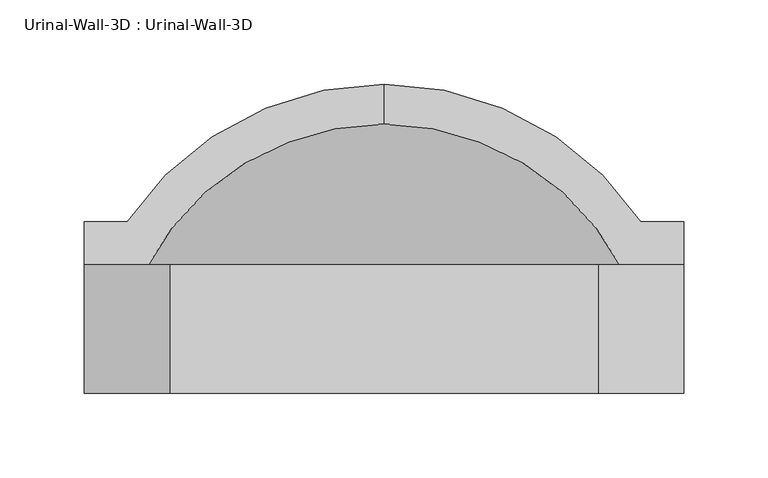
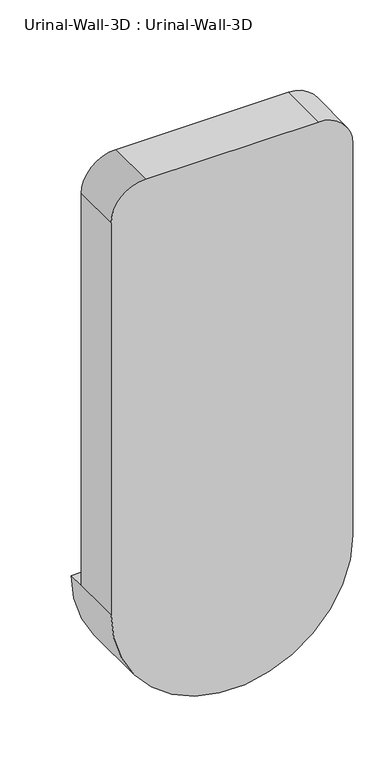
"""IFC4 building model written with IfcOpenShell, lengths in millimetres: flow terminal geometry, Urinal-Wall-3D : Urinal-Wall-3D."""

from ifc_helpers import new_model, si_unit, point, frame, origin, place, context, project, spatial, polyline, circle_curve, ellipse_curve, trimmed, source, transform, mapped, element, save
from ifc_brep_helpers import plane_surface, cylinder_surface, revolved_surface, advanced_brep


def urinal_wall_3d_urinal_wall_3d_747c77f1(model_context):
    return source(origin(), model_context, "Body", "AdvancedBrep", [
        advanced_brep(
        [(-109.0745999, 330.7995048, 609.6), (-109.0745999, 307.0822043, 609.6), (43.3254001, 194.5081063, 609.6), (43.3254001, 223.8375, 609.6), (68.7254001, 223.8375, 609.6), (68.7254001, 249.2375, 609.6), (43.3254001, 249.2375, 609.6), (-261.4745999, 249.2375, 609.6), (-286.8745999, 249.2375, 609.6), (-286.8745999, 223.8375, 609.6), (-261.4745999, 223.8375, 609.6), (-261.4745999, 194.5081063, 609.6), (-261.4745999, 160.3375, 609.6), (43.3254001, 160.3375, 609.6), (-286.8745999, 147.6375, 609.6), (68.7254001, 147.6375, 609.6), (68.7254001, 147.6375, 1219.2), (17.9254001, 147.6375, 1270.0), (-236.0745999, 147.6375, 1270.0), (-286.8745999, 147.6375, 1219.2), (-261.4745999, 160.3375, 1168.4), (-210.6745999, 160.3375, 1219.2), (-7.4745999, 160.3375, 1219.2), (43.3254001, 160.3375, 1168.4), (43.3254001, 223.8375, 1168.4), (-7.4745999, 223.8375, 1219.2), (-210.6745999, 223.8375, 1219.2), (-261.4745999, 223.8375, 1168.4), (-286.8745999, 223.8375, 1219.2), (-236.0745999, 223.8375, 1270.0), (17.9254001, 223.8375, 1270.0), (68.7254001, 223.8375, 1219.2)],
        [
            (0, 1),
            (1, 2, circle_curve(frame((-109.0745999, 147.6375, 609.6), z_axis=(0.0, 0.0, -1.0), x_axis=(1.0, 0.0, 0.0)), 159.4447043)),
            (2, 3),
            (3, 4),
            (4, 5),
            (5, 6),
            (6, 0, circle_curve(frame((-109.0745999, 147.6375, 609.6), z_axis=(0.0, 0.0, 1.0), x_axis=(1.0, 0.0, 0.0)), 183.1620048)),
            (0, 7, circle_curve(frame((-109.0745999, 147.6375, 609.6), z_axis=(0.0, 0.0, 1.0), x_axis=(-1.0, 0.0, 0.0)), 183.1620048)),
            (7, 8),
            (8, 9),
            (9, 10),
            (10, 11),
            (11, 1, circle_curve(frame((-109.0745999, 147.6375, 609.6), z_axis=(0.0, 0.0, -1.0), x_axis=(-1.0, 0.0, 0.0)), 159.4447043)),
            (11, 2, circle_curve(frame((-109.0745999, 194.5081063, 609.6), z_axis=(0.0, -1.0, 0.0), x_axis=(1.0, 0.0, 0.0)), 152.4)),
            (11, 12),
            (12, 13, circle_curve(frame((-109.0745999, 160.3375, 609.6), z_axis=(0.0, -1.0, 0.0), x_axis=(1.0, 0.0, 0.0)), 152.4)),
            (13, 2),
            (14, 15, circle_curve(frame((-109.0745999, 147.6375, 609.6), z_axis=(0.0, -1.0, 0.0), x_axis=(1.0, 0.0, 0.0)), 177.8)),
            (15, 16),
            (16, 17, circle_curve(frame((17.9254001, 147.6375, 1219.2), z_axis=(0.0, -1.0, 0.0), x_axis=(-1.0, 0.0, 0.0)), 50.8)),
            (17, 18),
            (18, 19, circle_curve(frame((-236.0745999, 147.6375, 1219.2), z_axis=(0.0, -1.0, 0.0), x_axis=(-1.0, 0.0, 0.0)), 50.8)),
            (19, 14),
            (14, 9),
            (8, 5, circle_curve(frame((-109.0745999, 249.2375, 609.6), z_axis=(0.0, -1.0, 0.0), x_axis=(1.0, 0.0, 0.0)), 177.8)),
            (4, 15),
            (7, 6, circle_curve(frame((-109.0745999, 249.2375, 609.6), z_axis=(0.0, -1.0, 0.0), x_axis=(1.0, 0.0, 0.0)), 152.4)),
            (12, 20),
            (20, 21, circle_curve(frame((-210.6745999, 160.3375, 1168.4), z_axis=(0.0, 1.0, 0.0), x_axis=(-1.0, 0.0, 0.0)), 50.8)),
            (21, 22),
            (22, 23, circle_curve(frame((-7.4745999, 160.3375, 1168.4), z_axis=(0.0, 1.0, 0.0), x_axis=(-1.0, 0.0, 0.0)), 50.8)),
            (23, 13),
            (3, 24),
            (24, 25, circle_curve(frame((-7.4745999, 223.8375, 1168.4), z_axis=(0.0, -1.0, 0.0), x_axis=(-1.0, 0.0, 0.0)), 50.8)),
            (25, 26),
            (26, 27, circle_curve(frame((-210.6745999, 223.8375, 1168.4), z_axis=(0.0, -1.0, 0.0), x_axis=(-1.0, 0.0, 0.0)), 50.8)),
            (27, 10),
            (9, 28),
            (28, 29, circle_curve(frame((-236.0745999, 223.8375, 1219.2), z_axis=(0.0, 1.0, 0.0), x_axis=(-1.0, 0.0, 0.0)), 50.8)),
            (29, 30),
            (30, 31, circle_curve(frame((17.9254001, 223.8375, 1219.2), z_axis=(0.0, 1.0, 0.0), x_axis=(-1.0, 0.0, 0.0)), 50.8)),
            (31, 4),
            (23, 24),
            (22, 25),
            (21, 26),
            (20, 27),
            (19, 28),
            (18, 29),
            (17, 30),
            (16, 31),
        ],
        [
            plane_surface(frame((-109.0745999, 436.8479173, 609.6), z_axis=(0.0, 0.0, 1.0), x_axis=(1.0, 0.0, 0.0))),
            plane_surface(frame((-109.0745999, 436.8479173, 609.6), z_axis=(0.0, 0.0, 1.0), x_axis=(-1.0, 0.0, 0.0))),
            revolved_surface(trimmed(ellipse_curve(frame((-109.0745999, 147.6375, 609.6), z_axis=(0.0, 0.0, -1.0), x_axis=(1.0, 0.0, 0.0)), 159.4447043, 159.4447043), [point((-109.0745999, 307.0822043, 609.6))], [point((43.3254001, 194.5081063, 609.6))], True, "CARTESIAN"), (-109.0745999, 436.8479173, 609.6), (0.0, 1.0, 0.0)),
            revolved_surface(polyline([(43.32540010000001, 194.5081063, 609.6), (43.32540010000001, 160.33750000000003, 609.6)]), (-109.0745999, 436.8479173, 609.6), (0.0, 1.0, 0.0)),
            plane_surface(frame((-109.0745999, 147.6375, 609.6), z_axis=(0.0, -1.0, 0.0), x_axis=(1.0, 0.0, 0.0))),
            cylinder_surface(frame((-109.0745999, 436.8479173, 609.6), z_axis=(0.0, 1.0, 0.0), x_axis=(1.0, 0.0, 0.0)), 177.8),
            plane_surface(frame((-109.0745999, 249.2375, 609.6), z_axis=(0.0, 1.0, 0.0), x_axis=(1.0, 0.0, 0.0))),
            revolved_surface(trimmed(ellipse_curve(frame((-109.0745999, 147.6375, 609.6), z_axis=(0.0, 0.0, 1.0), x_axis=(1.0, 0.0, 0.0)), 183.1620048, 183.1620048), [point((43.3254001, 249.2375, 609.6))], [point((-109.0745999, 330.7995048, 609.6))], True, "CARTESIAN"), (-109.0745999, 436.8479173, 609.6), (0.0, 1.0, 0.0)),
            plane_surface(frame((43.3254001, 160.3375, 609.6), z_axis=(0.0, 1.0, 0.0), x_axis=(0.0, 0.0, -1.0))),
            plane_surface(frame((43.3254001, 223.8375, 609.6), z_axis=(0.0, 1.0, 0.0), x_axis=(0.0, 0.0, 1.0))),
            plane_surface(frame((43.3254001, 223.8375, 609.6), z_axis=(-1.0, 0.0, 0.0), x_axis=(0.0, -1.0, 0.0))),
            revolved_surface(polyline([(-58.2745999, 160.3375, 1168.4), (-58.2745999, 223.8375, 1168.4)]), (-7.4745999, 147.6375, 1168.4), (0.0, -1.0, 0.0)),
            plane_surface(frame((-7.4745999, 223.8375, 1219.2), z_axis=(0.0, 0.0, -1.0), x_axis=(0.0, -1.0, 0.0))),
            revolved_surface(polyline([(-261.4745999, 160.3375, 1168.4), (-261.4745999, 223.8375, 1168.4)]), (-210.6745999, 147.6375, 1168.4), (0.0, -1.0, 0.0)),
            plane_surface(frame((-261.4745999, 223.8375, 1168.4), z_axis=(1.0, 0.0, 0.0), x_axis=(0.0, -1.0, 0.0))),
            plane_surface(frame((-286.8745999, 223.8375, 609.6), z_axis=(-1.0, 0.0, 0.0), x_axis=(0.0, -1.0, 0.0))),
            cylinder_surface(frame((-236.0745999, 147.6375, 1219.2), z_axis=(0.0, 1.0, 0.0), x_axis=(-1.0, 0.0, 0.0)), 50.8),
            plane_surface(frame((-236.0745999, 223.8375, 1270.0), z_axis=(0.0, 0.0, 1.0), x_axis=(0.0, -1.0, 0.0))),
            cylinder_surface(frame((17.9254001, 147.6375, 1219.2), z_axis=(0.0, 1.0, 0.0), x_axis=(-1.0, 0.0, 0.0)), 50.8),
            plane_surface(frame((68.7254001, 223.8375, 1219.2), z_axis=(1.0, 0.0, 0.0), x_axis=(0.0, -1.0, 0.0))),
        ],
        [
            (0, [[1, 2, 3, 4, 5, 6, 7]]),
            (1, [[-1, 8, 9, 10, 11, 12, 13]]),
            (2, [[-2, -13, 14]]),
            (3, [[-14, 15, 16, 17]]),
            (4, [[18, 19, 20, 21, 22, 23]]),
            (5, [[-18, 24, -10, 25, -5, 26]]),
            (6, [[-6, -25, -9, 27]]),
            (7, [[-7, -27, -8]]),
            (8, [[-16, 28, 29, 30, 31, 32]]),
            (9, [[33, 34, 35, 36, 37, -11, 38, 39, 40, 41, 42, -4]]),
            (10, [[-33, -3, -17, -32, 43]]),
            (11, [[-34, -43, -31, 44]]),
            (12, [[-35, -44, -30, 45]]),
            (13, [[-36, -45, -29, 46]]),
            (14, [[-37, -46, -28, -15, -12]]),
            (15, [[-38, -24, -23, 47]]),
            (16, [[-39, -47, -22, 48]]),
            (17, [[-40, -48, -21, 49]]),
            (18, [[-41, -49, -20, 50]]),
            (19, [[-42, -50, -19, -26]]),
        ],
    ),
    ])


if __name__ == "__main__":
    model = new_model("IFC4")
    model_context = context("Model", 3, world=origin())
    ifc_project = project(units=[si_unit("LENGTHUNIT", "METRE", prefix="MILLI")], contexts=[model_context])
    site = spatial("IfcSite", under=ifc_project)
    building = spatial("IfcBuilding", under=site)
    placement = place(None, origin())
    urinal_wall_3d_urinal_wall_3d_shape = urinal_wall_3d_urinal_wall_3d_747c77f1(model_context)
    element("IfcFlowTerminal", 1, ObjectType="Urinal-Wall-3D : Urinal-Wall-3D", at=placement, inside=building, context=model_context, shape_type="MappedRepresentation", body=[
        mapped(urinal_wall_3d_urinal_wall_3d_shape, transform((0.0, 0.0, 0.0), x_axis=(1.0, 0.0, 0.0), y_axis=(0.0, 1.0, 0.0), z_axis=(0.0, 0.0, 1.0))),
    ])
    save(model, "model.ifc")
